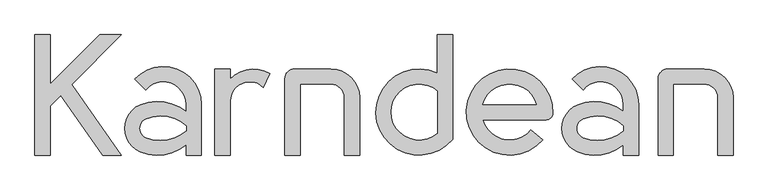
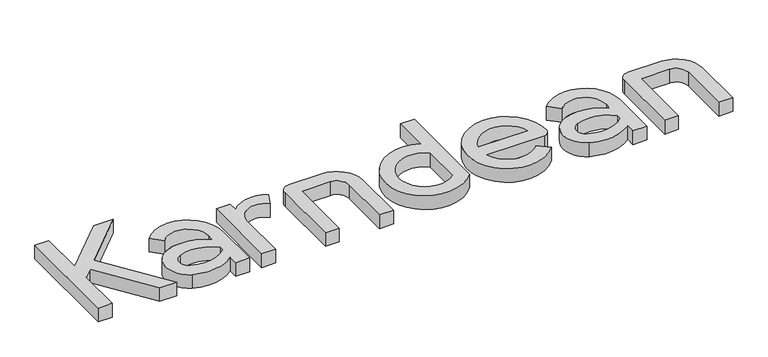
"""IFC4 building model written with IfcOpenShell, lengths in millimetres: proxy geometry."""

from ifc_helpers import new_model, si_unit, point, frame_2d, origin, origin_with_axes, place, context, project, spatial, polyline, circle_curve, trimmed, segment, composite_curve, outline, extrude, source, transform, mapped, element, save


def generic_models_c4fa8f34(model_context):
    return source(origin(), model_context, "Body", "SweptSolid", [
        extrude(outline(composite_curve([segment(trimmed(circle_curve(frame_2d((-1106.7597209, 18954.9391628)), 453.3333333), [point((-1106.7597209, 19408.2724961))], [point((-653.4263876, 18954.9391628))], False, "CARTESIAN"), True, "CONTINUOUS"), segment(polyline([(-653.4263876, 18954.9391628), (-653.4263876, 18048.2724961), (-893.4263876, 18048.2724961), (-893.4263876, 18954.9391628)]), True, "CONTINUOUS"), segment(trimmed(circle_curve(frame_2d((-1106.7597209, 18954.9391628)), 213.3333333), [point((-893.4263876, 18954.9391628))], [point((-1106.7597209, 19168.2724961))], True, "CARTESIAN"), True, "CONTINUOUS"), segment(polyline([(-1106.7597209, 19168.2724961), (-1592.0930542, 19168.2724961), (-1592.0930542, 18048.2724961), (-1832.0930542, 18048.2724961), (-1832.0930542, 19257.161385)]), True, "CONTINUOUS"), segment(trimmed(circle_curve(frame_2d((-1680.9819431, 19257.161385)), 151.1111111), [point((-1832.0930542, 19257.161385))], [point((-1680.9819431, 19408.2724961))], False, "CARTESIAN"), True, "CONTINUOUS"), segment(polyline([(-1680.9819431, 19408.2724961), (-1106.7597209, 19408.2724961)]), True, "CONTINUOUS")], self_intersect=False)), origin_with_axes(), (0.0, 0.0, 1.0), 250.0),
        extrude(outline(composite_curve([segment(trimmed(circle_curve(frame_2d((4772.4625013, 18954.9391628)), 453.3333333), [point((4772.4625013, 19408.2724961))], [point((5225.7958347, 18954.9391628))], False, "CARTESIAN"), True, "CONTINUOUS"), segment(polyline([(5225.7958347, 18954.9391628), (5225.7958347, 18048.2724961), (4985.7958347, 18048.2724961), (4985.7958347, 18954.9391628)]), True, "CONTINUOUS"), segment(trimmed(circle_curve(frame_2d((4772.4625013, 18954.9391628)), 213.3333333), [point((4985.7958347, 18954.9391628))], [point((4772.4625013, 19168.2724961))], True, "CARTESIAN"), True, "CONTINUOUS"), segment(polyline([(4772.4625013, 19168.2724961), (4287.129168, 19168.2724961), (4287.129168, 18048.2724961), (4047.129168, 18048.2724961), (4047.129168, 19257.161385)]), True, "CONTINUOUS"), segment(trimmed(circle_curve(frame_2d((4198.2402791, 19257.161385)), 151.1111111), [point((4047.129168, 19257.161385))], [point((4198.2402791, 19408.2724961))], False, "CARTESIAN"), True, "CONTINUOUS"), segment(polyline([(4198.2402791, 19408.2724961), (4772.4625013, 19408.2724961)]), True, "CONTINUOUS")], self_intersect=False)), origin_with_axes(), (0.0, 0.0, 1.0), 250.0),
        extrude(outline(composite_curve([segment(trimmed(circle_curve(frame_2d((1706.5736124, 18728.2724961)), 680.0), [point((2227.4838338, 18291.1769215))], [point((2386.1692116, 18704.8242203))], False, "CARTESIAN"), True, "CONTINUOUS"), segment(trimmed(circle_curve(frame_2d((2286.2286823, 18708.2724961)), 100.0), [point((2386.1692116, 18704.8242203))], [point((2286.2286823, 18608.2724961))], False, "CARTESIAN"), True, "CONTINUOUS"), segment(polyline([(2286.2286823, 18608.2724961), (1283.2534027, 18608.2724961)]), True, "CONTINUOUS"), segment(trimmed(circle_curve(frame_2d((1706.5736124, 18728.2724961)), 440.0), [point((1283.2534027, 18608.2724961))], [point((2043.6331674, 18445.4459479))], True, "CARTESIAN"), True, "CONTINUOUS"), segment(polyline([(2043.6331674, 18445.4459479), (2227.4838338, 18291.1769215)]), True, "CONTINUOUS")], self_intersect=False), holes=[composite_curve([segment(polyline([(1283.2534027, 18848.2724961), (2129.8938222, 18848.2724961)]), True, "CONTINUOUS"), segment(trimmed(circle_curve(frame_2d((1706.5736124, 18728.2724961)), 440.0), [point((2129.8938222, 18848.2724961))], [point((1283.2534027, 18848.2724961))], True, "CARTESIAN"), True, "CONTINUOUS")], self_intersect=False)]), origin_with_axes(), (0.0, 0.0, 1.0), 250.0),
        extrude(outline(polyline([(-5767.153441, 19948.2724961), (-5527.153441, 19948.2724961), (-5527.153441, 19168.2724961), (-4747.153441, 19948.2724961), (-4407.7421861, 19948.2724961), (-5190.2315544, 19165.7831278), (-4407.7421861, 18048.2724961), (-4700.7280874, 18048.2724961), (-5362.5551647, 18993.4595175), (-5527.153441, 18828.8612412), (-5527.153441, 18048.2724961), (-5767.153441, 18048.2724961), (-5767.153441, 19948.2724961)])), origin_with_axes(), (0.0, 0.0, 1.0), 250.0),
        extrude(outline(composite_curve([segment(polyline([(-2692.0930542, 19408.2724961), (-2692.0930542, 19250.4838244)]), True, "CONTINUOUS"), segment(trimmed(circle_curve(frame_2d((-2326.5643962, 18905.9916193)), 502.2808769), [point((-2692.0930542, 19250.4838244))], [point((-2068.3069883, 19336.7922582))], False, "CARTESIAN"), True, "CONTINUOUS"), segment(polyline([(-2068.3069883, 19336.7922582), (-2169.7353711, 19119.2783893)]), True, "CONTINUOUS"), segment(trimmed(circle_curve(frame_2d((-2384.1611865, 18898.2724961)), 307.9318677), [point((-2169.7353711, 19119.2783893))], [point((-2692.0930542, 18898.2724961))], True, "CARTESIAN"), True, "CONTINUOUS"), segment(polyline([(-2692.0930542, 18898.2724961), (-2692.0930542, 18048.2724961), (-2932.0930542, 18048.2724961), (-2932.0930542, 19408.2724961), (-2692.0930542, 19408.2724961)]), True, "CONTINUOUS")], self_intersect=False)), origin_with_axes(), (0.0, 0.0, 1.0), 250.0),
        extrude(outline(composite_curve([segment(polyline([(567.9069458, 19948.2724961), (807.9069458, 19948.2724961), (807.9069458, 18297.8019724)]), True, "CONTINUOUS"), segment(trimmed(circle_curve(frame_2d((281.5086858, 18728.2724961)), 680.0), [point((807.9069458, 18297.8019724))], [point((567.9069458, 19345.018827))], False, "CARTESIAN"), True, "CONTINUOUS"), segment(polyline([(567.9069458, 19345.018827), (567.9069458, 19948.2724961)]), True, "CONTINUOUS")], self_intersect=False), holes=[composite_curve([segment(polyline([(567.9069458, 18394.2425025), (567.9069458, 19062.3024898)]), True, "CONTINUOUS"), segment(trimmed(circle_curve(frame_2d((281.5086858, 18728.2724961)), 440.0), [point((567.9069458, 19062.3024898))], [point((567.9069458, 18394.2425025))], True, "CARTESIAN"), True, "CONTINUOUS")], self_intersect=False)]), origin_with_axes(), (0.0, 0.0, 1.0), 250.0),
        extrude(outline(composite_curve([segment(polyline([(-3387.0323676, 18048.2724961), (-3387.0323676, 18207.5976243)]), True, "CONTINUOUS"), segment(trimmed(circle_curve(frame_2d((-3835.2757974, 18758.4764399)), 710.2039438), [point((-3387.0323676, 18207.5976243))], [point((-4107.3143153, 18102.4393323))], False, "CARTESIAN"), True, "CONTINUOUS"), segment(trimmed(circle_curve(frame_2d((-3953.886635, 18472.4393323)), 400.5496887), [point((-4107.3143153, 18102.4393323))], [point((-4107.3143153, 18842.4393323))], False, "CARTESIAN"), True, "CONTINUOUS"), segment(trimmed(circle_curve(frame_2d((-3835.2757974, 18186.4022247)), 710.2039438), [point((-4107.3143153, 18842.4393323))], [point((-3387.0323676, 18737.2810403))], False, "CARTESIAN"), True, "CONTINUOUS"), segment(polyline([(-3387.0323676, 18737.2810403), (-3387.0323676, 18848.2724961)]), True, "CONTINUOUS"), segment(trimmed(circle_curve(frame_2d((-3747.1773804, 18848.2724961)), 360.1450128), [point((-3387.0323676, 18848.2724961))], [point((-4022.5252016, 19080.4104025))], True, "CARTESIAN"), True, "CONTINUOUS"), segment(polyline([(-4022.5252016, 19080.4104025), (-4192.5986235, 19250.4838244)]), True, "CONTINUOUS"), segment(trimmed(circle_curve(frame_2d((-3747.1773804, 18848.2724961)), 600.1450128), [point((-4192.5986235, 19250.4838244))], [point((-3147.0323676, 18848.2724961))], False, "CARTESIAN"), True, "CONTINUOUS"), segment(polyline([(-3147.0323676, 18848.2724961), (-3147.0323676, 18048.2724961), (-3387.0323676, 18048.2724961)]), True, "CONTINUOUS")], self_intersect=False), holes=[composite_curve([segment(trimmed(circle_curve(frame_2d((-3788.2499871, 18871.8819857)), 592.9730141), [point((-4015.3840397, 18324.1346738))], [point((-3387.0323676, 18435.2569551))], True, "CARTESIAN"), True, "CONTINUOUS"), segment(polyline([(-3387.0323676, 18435.2569551), (-3387.0323676, 18509.6217096)]), True, "CONTINUOUS"), segment(trimmed(circle_curve(frame_2d((-3788.2499871, 18072.996679)), 592.9730141), [point((-3387.0323676, 18509.6217096))], [point((-4015.3840397, 18620.7439908))], True, "CARTESIAN"), True, "CONTINUOUS"), segment(trimmed(circle_curve(frame_2d((-3953.886635, 18472.4393323)), 160.5496887), [point((-4015.3840397, 18620.7439908))], [point((-4015.3840397, 18324.1346738))], True, "CARTESIAN"), True, "CONTINUOUS")], self_intersect=False)]), origin_with_axes(), (0.0, 0.0, 1.0), 250.0),
        extrude(outline(composite_curve([segment(polyline([(3498.8124366, 18048.2724961), (3498.8124366, 18207.5976243)]), True, "CONTINUOUS"), segment(trimmed(circle_curve(frame_2d((3050.5690069, 18758.4764399)), 710.2039438), [point((3498.8124366, 18207.5976243))], [point((2778.530489, 18102.4393323))], False, "CARTESIAN"), True, "CONTINUOUS"), segment(trimmed(circle_curve(frame_2d((2931.9581693, 18472.4393323)), 400.5496887), [point((2778.530489, 18102.4393323))], [point((2778.530489, 18842.4393323))], False, "CARTESIAN"), True, "CONTINUOUS"), segment(trimmed(circle_curve(frame_2d((3050.5690069, 18186.4022247)), 710.2039438), [point((2778.530489, 18842.4393323))], [point((3498.8124366, 18737.2810403))], False, "CARTESIAN"), True, "CONTINUOUS"), segment(polyline([(3498.8124366, 18737.2810403), (3498.8124366, 18848.2724961)]), True, "CONTINUOUS"), segment(trimmed(circle_curve(frame_2d((3138.6674238, 18848.2724961)), 360.1450128), [point((3498.8124366, 18848.2724961))], [point((2863.3196026, 19080.4104025))], True, "CARTESIAN"), True, "CONTINUOUS"), segment(polyline([(2863.3196026, 19080.4104025), (2693.2461808, 19250.4838244)]), True, "CONTINUOUS"), segment(trimmed(circle_curve(frame_2d((3138.6674238, 18848.2724961)), 600.1450128), [point((2693.2461808, 19250.4838244))], [point((3738.8124366, 18848.2724961))], False, "CARTESIAN"), True, "CONTINUOUS"), segment(polyline([(3738.8124366, 18848.2724961), (3738.8124366, 18048.2724961), (3498.8124366, 18048.2724961)]), True, "CONTINUOUS")], self_intersect=False), holes=[composite_curve([segment(trimmed(circle_curve(frame_2d((3097.5948172, 18871.8819857)), 592.9730141), [point((2870.4607646, 18324.1346738))], [point((3498.8124366, 18435.2569551))], True, "CARTESIAN"), True, "CONTINUOUS"), segment(polyline([(3498.8124366, 18435.2569551), (3498.8124366, 18509.6217096)]), True, "CONTINUOUS"), segment(trimmed(circle_curve(frame_2d((3097.5948172, 18072.996679)), 592.9730141), [point((3498.8124366, 18509.6217096))], [point((2870.4607646, 18620.7439908))], True, "CARTESIAN"), True, "CONTINUOUS"), segment(trimmed(circle_curve(frame_2d((2931.9581693, 18472.4393323)), 160.5496887), [point((2870.4607646, 18620.7439908))], [point((2870.4607646, 18324.1346738))], True, "CARTESIAN"), True, "CONTINUOUS")], self_intersect=False)]), origin_with_axes(), (0.0, 0.0, 1.0), 250.0),
    ])


if __name__ == "__main__":
    model = new_model("IFC4")
    model_context = context("Model", 3, world=origin())
    ifc_project = project(units=[si_unit("LENGTHUNIT", "METRE", prefix="MILLI")], contexts=[model_context])
    site = spatial("IfcSite", under=ifc_project)
    building = spatial("IfcBuilding", under=site)
    placement = place(None, origin())
    generic_models_shape = generic_models_c4fa8f34(model_context)
    element("IfcBuildingElementProxy", 1, Name="Generic Models", at=placement, inside=building, context=model_context, shape_type="MappedRepresentation", body=[
        mapped(generic_models_shape, transform((0.0, 0.0, 0.0), x_axis=(1.0, 0.0, 0.0), y_axis=(0.0, 1.0, 0.0), z_axis=(0.0, 0.0, 1.0))),
    ])
    save(model, "model.ifc")
